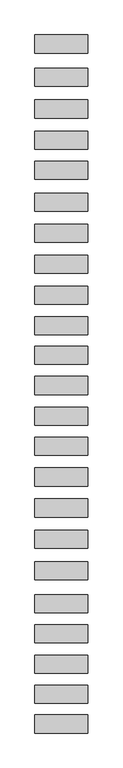
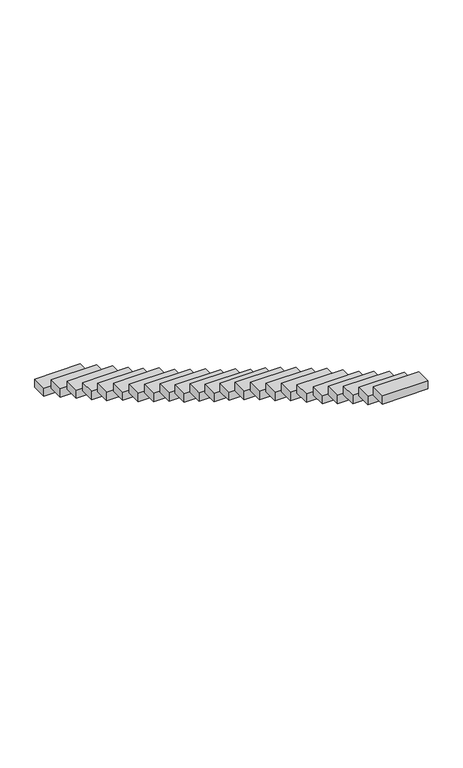
"""IFC4 building model written with IfcOpenShell, lengths in millimetres: proxy geometry."""

from ifc_helpers import new_model, si_unit, frame, origin, place, context, project, spatial, polyline, outline, extrude, source, transform, mapped, element, save


def generic_models_5a76f902(model_context):
    return source(origin(), model_context, "Body", "SweptSolid", [
        extrude(outline(polyline([(-640.0, -5130.0055235), (-640.0, -4690.0055235), (640.0, -4690.0055235), (640.0, -5130.0055235), (-640.0, -5130.0055235)])), frame((0.0, 0.0, 3024.7688481), z_axis=(0.0, 0.0, 1.0), x_axis=(1.0, 0.0, 0.0)), (0.0, 0.0, 1.0), 250.0),
        extrude(outline(polyline([(-640.0, -4413.1803134), (-640.0, -3973.1803134), (640.0, -3973.1803134), (640.0, -4413.1803134), (-640.0, -4413.1803134)])), frame((0.0, 0.0, 2574.7366512), z_axis=(0.0, 0.0, 1.0), x_axis=(1.0, 0.0, 0.0)), (0.0, 0.0, 1.0), 250.0),
        extrude(outline(polyline([(-640.0, -3681.0547548), (-640.0, -3241.0547548), (640.0, -3241.0547548), (640.0, -3681.0547548), (-640.0, -3681.0547548)])), frame((0.0, 0.0, 2151.8391897), z_axis=(0.0, 0.0, 1.0), x_axis=(1.0, 0.0, 0.0)), (0.0, 0.0, 1.0), 250.0),
        extrude(outline(polyline([(-640.0, -2941.3642827), (-640.0, -2501.3642827), (640.0, -2501.3642827), (640.0, -2941.3642827), (-640.0, -2941.3642827)])), frame((0.0, 0.0, 1704.4292215), z_axis=(0.0, 0.0, 1.0), x_axis=(1.0, 0.0, 0.0)), (0.0, 0.0, 1.0), 250.0),
        extrude(outline(polyline([(-640.0, -2213.9952099), (-640.0, -1773.9952099), (640.0, -1773.9952099), (640.0, -2213.9952099), (-640.0, -2213.9952099)])), frame((0.0, 0.0, 1257.9923449), z_axis=(0.0, 0.0, 1.0), x_axis=(1.0, 0.0, 0.0)), (0.0, 0.0, 1.0), 250.0),
        extrude(outline(polyline([(-640.0, -1420.2787945), (-640.0, -980.2787945), (640.0, -980.2787945), (640.0, -1420.2787945), (-640.0, -1420.2787945)])), frame((0.0, 0.0, 833.9341872), z_axis=(0.0, 0.0, 1.0), x_axis=(1.0, 0.0, 0.0)), (0.0, 0.0, 1.0), 250.0),
        extrude(outline(polyline([(-640.0, -651.0184887), (-640.0, -211.0184887), (640.0, -211.0184887), (640.0, -651.0184887), (-640.0, -651.0184887)])), frame((0.0, 0.0, 403.9019903), z_axis=(0.0, 0.0, 1.0), x_axis=(1.0, 0.0, 0.0)), (0.0, 0.0, 1.0), 250.0),
        extrude(outline(polyline([(-640.0, 106.2937221), (-640.0, 546.2937221), (640.0, 546.2937221), (640.0, 106.2937221), (-640.0, 106.2937221)])), frame((0.0, 0.0, -50.8866968), z_axis=(0.0, 0.0, 1.0), x_axis=(1.0, 0.0, 0.0)), (0.0, 0.0, 1.0), 250.0),
        extrude(outline(polyline([(-640.0, 857.93228), (-640.0, 1297.93228), (640.0, 1297.93228), (640.0, 857.93228), (-640.0, 857.93228)])), frame((0.0, 0.0, -481.4059132), z_axis=(0.0, 0.0, 1.0), x_axis=(1.0, 0.0, 0.0)), (0.0, 0.0, 1.0), 250.0),
        extrude(outline(polyline([(-640.0, 1600.488005), (-640.0, 2040.488005), (640.0, 2040.488005), (640.0, 1600.488005), (-640.0, 1600.488005)])), frame((0.0, 0.0, -933.3293356), z_axis=(0.0, 0.0, 1.0), x_axis=(1.0, 0.0, 0.0)), (0.0, 0.0, 1.0), 250.0),
        extrude(outline(polyline([(-640.0, 2329.9918157), (-640.0, 2769.9918157), (640.0, 2769.9918157), (640.0, 2329.9918157), (-640.0, 2329.9918157)])), frame((0.0, 0.0, -1393.3615325), z_axis=(0.0, 0.0, 1.0), x_axis=(1.0, 0.0, 0.0)), (0.0, 0.0, 1.0), 250.0),
        extrude(outline(polyline([(-640.0, 3075.1692978), (-640.0, 3515.1692978), (640.0, 3515.1692978), (640.0, 3075.1692978), (-640.0, 3075.1692978)])), frame((0.0, 0.0, -1876.6891608), z_axis=(0.0, 0.0, 1.0), x_axis=(1.0, 0.0, 0.0)), (0.0, 0.0, 1.0), 250.0),
        extrude(outline(polyline([(-640.0, 3805.5662631), (-640.0, 4245.5662631), (640.0, 4245.5662631), (640.0, 3805.5662631), (-640.0, 3805.5662631)])), frame((0.0, 0.0, -2304.1933292), z_axis=(0.0, 0.0, 1.0), x_axis=(1.0, 0.0, 0.0)), (0.0, 0.0, 1.0), 250.0),
        extrude(outline(polyline([(-640.0, 4524.2766351), (-640.0, 4964.2766351), (640.0, 4964.2766351), (640.0, 4524.2766351), (-640.0, 4524.2766351)])), frame((0.0, 0.0, -2777.6250436), z_axis=(0.0, 0.0, 1.0), x_axis=(1.0, 0.0, 0.0)), (0.0, 0.0, 1.0), 250.0),
        extrude(outline(polyline([(-640.0, 5264.031509), (-640.0, 5704.031509), (640.0, 5704.031509), (640.0, 5264.031509), (-640.0, 5264.031509)])), frame((0.0, 0.0, -3199.0397077), z_axis=(0.0, 0.0, 1.0), x_axis=(1.0, 0.0, 0.0)), (0.0, 0.0, 1.0), 250.0),
        extrude(outline(polyline([(-640.0, 6014.7949163), (-640.0, 6454.7949163), (640.0, 6454.7949163), (640.0, 6014.7949163), (-640.0, 6014.7949163)])), frame((0.0, 0.0, -3668.2611919), z_axis=(0.0, 0.0, 1.0), x_axis=(1.0, 0.0, 0.0)), (0.0, 0.0, 1.0), 250.0),
        extrude(outline(polyline([(-640.0, 6765.9532128), (-640.0, 7205.9532128), (640.0, 7205.9532128), (640.0, 6765.9532128), (-640.0, 6765.9532128)])), frame((0.0, 0.0, -4121.6929062), z_axis=(0.0, 0.0, 1.0), x_axis=(1.0, 0.0, 0.0)), (0.0, 0.0, 1.0), 250.0),
        extrude(outline(polyline([(-640.0, 7514.5234376), (-640.0, 7954.5234376), (640.0, 7954.5234376), (640.0, 7514.5234376), (-640.0, 7514.5234376)])), frame((0.0, 0.0, -4535.1246206), z_axis=(0.0, 0.0, 1.0), x_axis=(1.0, 0.0, 0.0)), (0.0, 0.0, 1.0), 250.0),
        extrude(outline(polyline([(-640.0, 8292.4800367), (-640.0, 8732.4800367), (640.0, 8732.4800367), (640.0, 8292.4800367), (-640.0, 8292.4800367)])), frame((0.0, 0.0, -5018.3375796), z_axis=(0.0, 0.0, 1.0), x_axis=(1.0, 0.0, 0.0)), (0.0, 0.0, 1.0), 250.0),
        extrude(outline(polyline([(-640.0, 9019.0332039), (-640.0, 9459.0332039), (640.0, 9459.0332039), (640.0, 9019.0332039), (-640.0, 9019.0332039)])), frame((0.0, 0.0, -5432.5590638), z_axis=(0.0, 0.0, 1.0), x_axis=(1.0, 0.0, 0.0)), (0.0, 0.0, 1.0), 250.0),
        extrude(outline(polyline([(-640.0, 9776.5949137), (-640.0, 10216.5949137), (640.0, 10216.5949137), (640.0, 9776.5949137), (-640.0, 9776.5949137)])), frame((0.0, 0.0, -5848.7975983), z_axis=(0.0, 0.0, 1.0), x_axis=(1.0, 0.0, 0.0)), (0.0, 0.0, 1.0), 250.0),
        extrude(outline(polyline([(-640.0, 10550.165157), (-640.0, 10990.165157), (640.0, 10990.165157), (640.0, 10550.165157), (-640.0, 10550.165157)])), frame((0.0, 0.0, -6280.4310177), z_axis=(0.0, 0.0, 1.0), x_axis=(1.0, 0.0, 0.0)), (0.0, 0.0, 1.0), 250.0),
        extrude(outline(polyline([(-640.0, 11352.7268484), (-640.0, 11792.7268484), (640.0, 11792.7268484), (640.0, 11352.7268484), (-640.0, 11352.7268484)])), frame((0.0, 0.0, -6744.7467152), z_axis=(0.0, 0.0, 1.0), x_axis=(1.0, 0.0, 0.0)), (0.0, 0.0, 1.0), 250.0),
    ])


if __name__ == "__main__":
    model = new_model("IFC4")
    model_context = context("Model", 3, world=origin())
    ifc_project = project(units=[si_unit("LENGTHUNIT", "METRE", prefix="MILLI")], contexts=[model_context])
    site = spatial("IfcSite", under=ifc_project)
    building = spatial("IfcBuilding", under=site)
    placement = place(None, origin())
    generic_models_shape = generic_models_5a76f902(model_context)
    element("IfcBuildingElementProxy", 1, Name="Generic Models", at=placement, inside=building, context=model_context, shape_type="MappedRepresentation", body=[
        mapped(generic_models_shape, transform((0.0, 0.0, 0.0), x_axis=(1.0, 0.0, 0.0), y_axis=(0.0, 1.0, 0.0), z_axis=(0.0, 0.0, 1.0))),
    ])
    save(model, "model.ifc")
